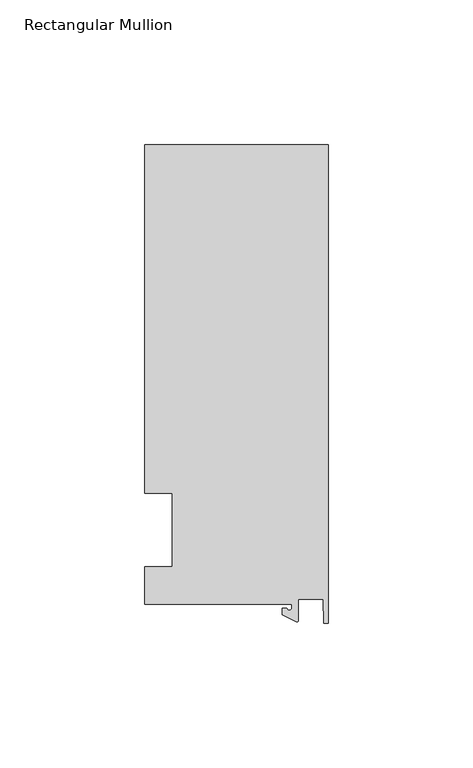
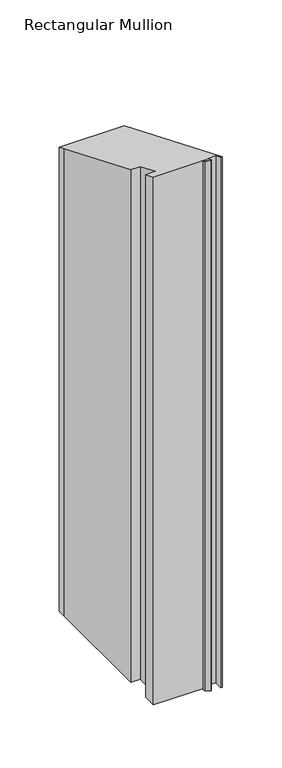
"""IFC4 building model written with IfcOpenShell, lengths in millimetres: member geometry, Rectangular Mullion."""

import ifcopenshell
import ifcopenshell.guid

model = None  # the IFC model being written
_history = None  # IfcOwnerHistory: only IFC2X3 demands one
_inside = {}  # id of a spatial element -> (the spatial element, [elements in it])
_under = {}  # id of a project, library or spatial element -> (it, [spatial elements below it])
_declared = {}  # id of a project -> (the project, [libraries it declares])
_typed = {}  # id of a type object -> (the type object, [elements of that type])
_made_of = {}  # id of a material, layer set ... -> (it, [elements and type objects made of it])


def new_model(schema):
    """Start an empty IFC model of exactly this schema.

    Asked for "IFC4X3", IfcOpenShell would pick the latest addendum, in which some entities
    have other attributes; the version numbers below select the first issue.
    IFC2X3 requires an IfcOwnerHistory on every rooted entity: one is made here for all.
    """
    global model, _history
    if schema == "IFC4X3":
        model = ifcopenshell.file(schema_version=(4, 3, 0, 0))
    else:
        model = ifcopenshell.file(schema=schema)
    _inside.clear()
    _under.clear()
    _declared.clear()
    _typed.clear()
    _made_of.clear()
    _history = None
    if model.schema == "IFC2X3":
        org = make("IfcOrganization", Name="unknown")
        user = make(
            "IfcPersonAndOrganization",
            ThePerson=make("IfcPerson", FamilyName="unknown"),
            TheOrganization=org,
        )
        app = make(
            "IfcApplication",
            ApplicationDeveloper=org,
            Version="unknown",
            ApplicationFullName="unknown",
            ApplicationIdentifier="unknown",
        )
        _history = make(
            "IfcOwnerHistory",
            OwningUser=user,
            OwningApplication=app,
            ChangeAction="ADDED",
            CreationDate=0,
        )
    return model


def make(cls, **values):
    """One entity of the class cls with the attributes given. An attribute that is None is left unset."""
    return model.create_entity(
        cls, **{name: value for name, value in values.items() if value is not None}
    )


def rooted(cls, **values):
    """An entity with a GlobalId (a new one), such as an element, a storey or a relation."""
    return make(cls, GlobalId=ifcopenshell.guid.new(), OwnerHistory=_history, **values)


def si_unit(unit_type, name, prefix=None):
    """IfcSIUnit, for example si_unit("LENGTHUNIT", "METRE", prefix="MILLI")."""
    return make("IfcSIUnit", UnitType=unit_type, Prefix=prefix, Name=name)


def assignment(units):
    """IfcUnitAssignment: the units of a project."""
    return None if units is None else make("IfcUnitAssignment", Units=units)


def point(xyz):
    """IfcCartesianPoint."""
    return None if xyz is None else make("IfcCartesianPoint", Coordinates=xyz)


def direction(xyz):
    """IfcDirection."""
    return None if xyz is None else make("IfcDirection", DirectionRatios=xyz)


def frame(location, z_axis=None, x_axis=None):
    """IfcAxis2Placement3D, a coordinate frame: its origin and axes. An axis left out is left unset."""
    return make(
        "IfcAxis2Placement3D",
        Location=point(location),
        Axis=direction(z_axis),
        RefDirection=direction(x_axis),
    )


def origin():
    """The frame at (0, 0, 0) with its axes left unset."""
    return frame((0.0, 0.0, 0.0))


def place(relative_to, where):
    """IfcLocalPlacement: puts the frame where relative to a parent placement (None: the world)."""
    return make(
        "IfcLocalPlacement", PlacementRelTo=relative_to, RelativePlacement=where
    )


def context(
    kind, dimensions, precision=None, world=None, true_north=None, identifier=None
):
    """IfcGeometricRepresentationContext, for example the 3D "Model" context."""
    return make(
        "IfcGeometricRepresentationContext",
        ContextIdentifier=identifier,
        ContextType=kind,
        CoordinateSpaceDimension=dimensions,
        Precision=precision,
        WorldCoordinateSystem=world,
        TrueNorth=true_north,
    )


def project(units=None, contexts=None):
    """IfcProject with its units and contexts."""
    return rooted(
        "IfcProject",
        Name="project",
        RepresentationContexts=contexts,
        UnitsInContext=assignment(units),
    )


def spatial(cls, under=None, at=None, **own):
    """A site, building, storey or space (cls), placed at a placement, below another one or the project."""
    s = rooted(cls, ObjectPlacement=at, **own)
    if under is not None:
        _under.setdefault(under.id(), (under, []))[1].append(s)
    return s


def polyline(points):
    """IfcPolyline through the points."""
    return make("IfcPolyline", Points=[point(p) for p in points])


def circle_curve(where, radius):
    """IfcCircle in the frame where."""
    return make("IfcCircle", Position=where, Radius=radius)


def ellipse_curve(where, semi_axis1, semi_axis2):
    """IfcEllipse in the frame where."""
    return make(
        "IfcEllipse", Position=where, SemiAxis1=semi_axis1, SemiAxis2=semi_axis2
    )


def shape(context_of_items, identifier, shape_type, items):
    """IfcShapeRepresentation: the items that make up one representation, for example the "Body"."""
    return make(
        "IfcShapeRepresentation",
        ContextOfItems=context_of_items,
        RepresentationIdentifier=identifier,
        RepresentationType=shape_type,
        Items=items,
    )


def source(mapping_origin, context_of_items, identifier, shape_type, items):
    """IfcRepresentationMap: a shape defined once, which mapped items show again and again."""
    return make(
        "IfcRepresentationMap",
        MappingOrigin=mapping_origin,
        MappedRepresentation=shape(context_of_items, identifier, shape_type, items),
    )


def transform(
    local_origin,
    x_axis=None,
    y_axis=None,
    z_axis=None,
    scale=None,
    scale2=None,
    scale3=None,
    uniform=True,
):
    """IfcCartesianTransformationOperator3D, or its non-uniform kind. x_axis, y_axis, z_axis: its Axis1, 2, 3."""
    if uniform:
        return make(
            "IfcCartesianTransformationOperator3D",
            Axis1=direction(x_axis),
            Axis2=direction(y_axis),
            LocalOrigin=point(local_origin),
            Scale=scale,
            Axis3=direction(z_axis),
        )
    return make(
        "IfcCartesianTransformationOperator3DnonUniform",
        Axis1=direction(x_axis),
        Axis2=direction(y_axis),
        LocalOrigin=point(local_origin),
        Scale=scale,
        Axis3=direction(z_axis),
        Scale2=scale2,
        Scale3=scale3,
    )


def mapped(mapping_source, mapping_target):
    """IfcMappedItem: shows the shape of a source again, moved by a transform."""
    return make(
        "IfcMappedItem", MappingSource=mapping_source, MappingTarget=mapping_target
    )


def made_of(thing, what):
    """Note that an element or type object is made of a material, layer set ...; save() writes the relation."""
    if what is not None:
        _made_of.setdefault(what.id(), (what, []))[1].append(thing)
    return thing


def element(
    cls,
    number,
    at=None,
    inside=None,
    cuts=None,
    type_object=None,
    material=None,
    context=None,
    identifier="Body",
    shape_type=None,
    held_by="IfcProductDefinitionShape",
    body=None,
    shapes=None,
    **own,
):
    """One element of the class cls, such as IfcWall. Its Tag is "e" and its number.

    at: its placement. inside: the storey or other place that contains it. cuts: it is an
    opening in that element (IfcRelVoidsElement). A single representation is given by context,
    identifier, shape_type and body (its items); several are given by shapes. held_by: the class
    of the entity that holds the representations. save() writes the other relations.
    """
    e = rooted(cls, Tag="e%d" % number, ObjectPlacement=at, **own)
    if body is not None:
        shapes = [shape(context, identifier, shape_type, body)]
    if shapes is not None:
        e.Representation = make(held_by, Representations=shapes)
    if inside is not None:
        _inside.setdefault(inside.id(), (inside, []))[1].append(e)
    if cuts is not None:
        rooted(
            "IfcRelVoidsElement", RelatingBuildingElement=cuts, RelatedOpeningElement=e
        )
    if type_object is not None:
        _typed.setdefault(type_object.id(), (type_object, []))[1].append(e)
    return made_of(e, material)


def aggregate(whole, parts):
    """IfcRelAggregates: a whole, such as a stair, and the parts it consists of."""
    return rooted("IfcRelAggregates", RelatingObject=whole, RelatedObjects=parts)


def save(model, path):
    """Write the relations noted so far, then the file.

    IfcRelAggregates (storeys below a building ...), IfcRelContainedInSpatialStructure (elements
    in a storey), IfcRelDefinesByType, IfcRelAssociatesMaterial and IfcRelDeclares: one each for
    every whole, place, type object, material and project.
    """
    for whole, parts in _under.values():
        aggregate(whole, parts)
    for where, things in _inside.values():
        rooted(
            "IfcRelContainedInSpatialStructure",
            RelatedElements=things,
            RelatingStructure=where,
        )
    for kind, things in _typed.values():
        rooted("IfcRelDefinesByType", RelatedObjects=things, RelatingType=kind)
    for what, things in _made_of.values():
        rooted("IfcRelAssociatesMaterial", RelatedObjects=things, RelatingMaterial=what)
    for by, libraries in _declared.values():
        rooted("IfcRelDeclares", RelatingContext=by, RelatedDefinitions=libraries)
    model.write(path)


def plane_surface(at):
    """IfcPlane: the flat surface through the origin of the frame at, square to its z axis."""
    return make("IfcPlane", Position=at)


def cylinder_surface(at, radius):
    """IfcCylindricalSurface: all points at the distance radius from the z axis of the frame at."""
    return make("IfcCylindricalSurface", Position=at, Radius=radius)


def revolved_surface(curve, axis_point, axis_direction):
    """IfcSurfaceOfRevolution: the curve turned about the line through axis_point along axis_direction."""
    return make(
        "IfcSurfaceOfRevolution",
        SweptCurve=make("IfcArbitraryOpenProfileDef", ProfileType="CURVE", Curve=curve),
        AxisPosition=make("IfcAxis1Placement", Location=point(axis_point), Axis=direction(axis_direction)),
    )


def advanced_brep(points, edges, surfaces, faces):
    """IfcAdvancedBrep: a solid bounded by faces that lie on surfaces and meet in shared edges.

    An edge is (start, end): straight between two places in points (the first is 0);
    or (start, end, curve); or (start, end, curve, False) where it runs against its curve.
    A face is (place in surfaces, loops), or (place, loops, False) where it looks against
    its surface's normal. A loop lists edges by number (the first is 1), with a minus sign
    where the edge is run from its end to its start. The first loop is the outer one.
    """
    corners = [point(p) for p in points]
    vertices = [make("IfcVertexPoint", VertexGeometry=c) for c in corners]
    made = []
    for start, end, *more in edges:
        made.append(
            make(
                "IfcEdgeCurve",
                EdgeStart=vertices[start],
                EdgeEnd=vertices[end],
                EdgeGeometry=more[0] if more else make("IfcPolyline", Points=[corners[start], corners[end]]),
                SameSense=more[1] if len(more) > 1 else True,
            )
        )
    hull = []
    for where, loops, *sense in faces:
        bounds = []
        for j, loop in enumerate(loops):
            ring = [make("IfcOrientedEdge", EdgeElement=made[abs(k) - 1], Orientation=k > 0) for k in loop]
            bounds.append(
                make(
                    "IfcFaceOuterBound" if j == 0 else "IfcFaceBound",
                    Bound=make("IfcEdgeLoop", EdgeList=ring),
                    Orientation=True,
                )
            )
        hull.append(make("IfcAdvancedFace", Bounds=bounds, FaceSurface=surfaces[where], SameSense=sense[0] if sense else True))
    return make("IfcAdvancedBrep", Outer=make("IfcClosedShell", CfsFaces=hull))


def rectangular_mullion_3918751d(model_context):
    return source(origin(), model_context, "Body", "AdvancedBrep", [
        advanced_brep(
        [(-12.6173814, -25.796875, -533.4), (-63.5, -25.796875, -533.4), (-63.5, -12.7, -533.4), (-53.975, -12.7, -533.4), (-53.975, 12.7, -533.4), (-63.5, 12.7, -533.4), (-63.5, 125.8114907, -533.4), (-63.5, 133.34365, -533.4), (0.0, 133.34365, -533.4), (0.0, -32.288874, -533.4), (-1.5658966, -32.288874, -533.4), (-1.7144124, -23.9227662, -533.4), (-10.2297814, -23.9227662, -533.4), (-10.2297814, -31.2414327, -533.4), (-10.9524715, -31.7018371, -533.4), (-15.7923814, -29.44495, -533.4), (-15.7923814, -27.0827507, -533.4), (-14.2048814, -27.0827507, -533.4), (-12.6173814, -27.0827507, -533.4), (-12.6173814, -27.0827507, 11.2180426), (-12.6173814, -25.796875, 10.6854155), (-14.2048814, -27.0827507, 11.2180426), (-15.7923814, -27.0827507, 11.2180426), (-15.7923814, -29.44495, 12.1964976), (-10.9524715, -31.7018371, 13.1313309), (-10.2297814, -31.2414327, 12.9406251), (-10.2297814, -23.9227662, 9.9091342), (-1.7144124, -23.9227662, 9.9091342), (-1.5658966, -32.288874, 13.3744895), (0.0, -32.288874, 13.3744895), (0.0, 133.34365, -55.2327483), (-63.5, 133.34365, -55.2327483), (-63.5, 125.8114907, -52.1128257), (-63.5, 12.7, -5.2605122), (-53.975, 12.7, -5.2605122), (-53.975, -12.7, 5.2605122), (-63.5, -12.7, 5.2605122), (-63.5, -25.796875, 10.6854155)],
        [
            (0, 1),
            (1, 2),
            (2, 3),
            (3, 4),
            (4, 5),
            (5, 6),
            (6, 7),
            (7, 8),
            (8, 9),
            (9, 10),
            (10, 11),
            (11, 12),
            (12, 13),
            (13, 14, circle_curve(frame((-10.7377814, -31.2414327, -533.4), z_axis=(0.0, 0.0, -1.0), x_axis=(-1.0, 0.0, 0.0)), 0.508)),
            (14, 15),
            (15, 16),
            (16, 17),
            (17, 18, circle_curve(frame((-13.4111314, -27.0827507, -533.4), z_axis=(0.0, 0.0, 1.0), x_axis=(-1.0, 0.0, 0.0)), 0.79375)),
            (18, 0),
            (19, 20),
            (20, 0),
            (18, 19),
            (21, 19, ellipse_curve(frame((-13.4111314, -27.0827507, 11.2180426), z_axis=(0.0, 0.38268343236508895, 0.9238795325112871), x_axis=(0.0, 0.923879532511287, -0.3826834323650889)), 0.8591488, 0.79375)),
            (17, 21),
            (22, 21),
            (16, 22),
            (23, 22),
            (15, 23),
            (24, 23),
            (14, 24),
            (25, 24, ellipse_curve(frame((-10.7377814, -31.2414327, 12.9406251), z_axis=(0.0, -0.38268343236508895, -0.9238795325112871), x_axis=(0.0, -0.923879532511287, 0.3826834323650889)), 0.5498552, 0.508)),
            (13, 25),
            (26, 25),
            (12, 26),
            (27, 26),
            (11, 27),
            (28, 27),
            (10, 28),
            (29, 28),
            (9, 29),
            (30, 29),
            (8, 30),
            (31, 30),
            (7, 31),
            (32, 31),
            (6, 32),
            (33, 32),
            (5, 33),
            (34, 33),
            (4, 34),
            (35, 34),
            (3, 35),
            (36, 35),
            (2, 36),
            (37, 36),
            (1, 37),
            (20, 37),
        ],
        [
            plane_surface(frame((0.0, -147.6914994, -533.4), z_axis=(0.0, 0.0, -1.0), x_axis=(-1.0, 0.0, 0.0))),
            plane_surface(frame((-12.6173814, -25.796875, 0.0), z_axis=(-1.0, 0.0, 0.0), x_axis=(0.0, 0.0, -1.0))),
            revolved_surface(polyline([(-14.2048814, -27.0827507, -533.4), (-14.2048814, -27.0827507, 11.546824611696348)]), (-13.4111314, -27.0827507, 0.0), (0.0, 0.0, -1.0)),
            plane_surface(frame((-14.2048814, -27.0827507, 0.0), z_axis=(0.0, 1.0, 0.0), x_axis=(0.0, 0.0, -1.0))),
            plane_surface(frame((-15.7923814, -27.0827507, 0.0), z_axis=(-1.0, 0.0, 0.0), x_axis=(0.0, 0.0, -1.0))),
            plane_surface(frame((-15.7923814, -29.44495, 0.0), z_axis=(-0.4226182617406985, -0.9063077870366505, 0.0), x_axis=(0.0, 0.0, -1.0))),
            cylinder_surface(frame((-10.7377814, -31.2414327, 0.0), z_axis=(0.0, 0.0, 1.0), x_axis=(-1.0, 0.0, 0.0)), 0.508),
            plane_surface(frame((-10.2297814, -31.2414327, 0.0), z_axis=(1.0, 0.0, 0.0), x_axis=(0.0, 0.0, -1.0))),
            plane_surface(frame((-10.2297814, -23.9227662, 0.0), z_axis=(0.0, -1.0, 0.0), x_axis=(0.0, 0.0, -1.0))),
            plane_surface(frame((-1.7144124, -23.9227662, 0.0), z_axis=(-0.9998424690407919, -0.017749284560600327, 0.0), x_axis=(0.0, 0.0, -1.0))),
            plane_surface(frame((-1.5658966, -32.288874, 0.0), z_axis=(0.0, -1.0, 0.0), x_axis=(0.0, 0.0, -1.0))),
            plane_surface(frame((0.0, -32.288874, 0.0), z_axis=(1.0, 0.0, 0.0), x_axis=(0.0, 0.0, -1.0))),
            plane_surface(frame((0.0, 133.34365, 0.0), z_axis=(0.0, 1.0, 0.0), x_axis=(0.0, 0.0, -1.0))),
            plane_surface(frame((-63.5, 133.34365, 0.0), z_axis=(-1.0, 0.0, 0.0), x_axis=(0.0, 0.0, -1.0))),
            plane_surface(frame((-63.5, 125.8114907, 0.0), z_axis=(-1.0, 0.0, 0.0), x_axis=(0.0, 0.0, -1.0))),
            plane_surface(frame((-63.5, 12.7, 0.0), z_axis=(0.0, -1.0, 0.0), x_axis=(0.0, 0.0, -1.0))),
            plane_surface(frame((-53.975, 12.7, 0.0), z_axis=(-1.0, 0.0, 0.0), x_axis=(0.0, 0.0, -1.0))),
            plane_surface(frame((-53.975, -12.7, 0.0), z_axis=(0.0, 1.0, 0.0), x_axis=(0.0, 0.0, -1.0))),
            plane_surface(frame((-63.5, -12.7, 0.0), z_axis=(-1.0, 0.0, 0.0), x_axis=(0.0, 0.0, -1.0))),
            plane_surface(frame((-63.5, -25.796875, 0.0), z_axis=(0.0, -1.0, 0.0), x_axis=(0.0, 0.0, -1.0))),
            plane_surface(frame((-304.8, 0.0, 0.0), z_axis=(0.0, 0.38268343236508895, 0.9238795325112871), x_axis=(0.0, 0.9238795325112871, -0.38268343236508895))),
        ],
        [
            (0, [[1, 2, 3, 4, 5, 6, 7, 8, 9, 10, 11, 12, 13, 14, 15, 16, 17, 18, 19]]),
            (1, [[20, 21, -19, 22]]),
            (2, [[23, -22, -18, 24]]),
            (3, [[25, -24, -17, 26]]),
            (4, [[27, -26, -16, 28]]),
            (5, [[29, -28, -15, 30]]),
            (6, [[31, -30, -14, 32]]),
            (7, [[33, -32, -13, 34]]),
            (8, [[35, -34, -12, 36]]),
            (9, [[37, -36, -11, 38]]),
            (10, [[39, -38, -10, 40]]),
            (11, [[41, -40, -9, 42]]),
            (12, [[43, -42, -8, 44]]),
            (13, [[45, -44, -7, 46]]),
            (14, [[47, -46, -6, 48]]),
            (15, [[49, -48, -5, 50]]),
            (16, [[51, -50, -4, 52]]),
            (17, [[53, -52, -3, 54]]),
            (18, [[55, -54, -2, 56]]),
            (19, [[57, -56, -1, -21]]),
            (20, [[-20, -23, -25, -27, -29, -31, -33, -35, -37, -39, -41, -43, -45, -47, -49, -51, -53, -55, -57]]),
        ],
    ),
    ])


if __name__ == "__main__":
    model = new_model("IFC4")
    model_context = context("Model", 3, world=origin())
    ifc_project = project(units=[si_unit("LENGTHUNIT", "METRE", prefix="MILLI")], contexts=[model_context])
    site = spatial("IfcSite", under=ifc_project)
    building = spatial("IfcBuilding", under=site)
    placement = place(None, origin())
    rectangular_mullion_shape = rectangular_mullion_3918751d(model_context)
    element("IfcMember", 1, ObjectType="Rectangular Mullion", at=placement, inside=building, context=model_context, shape_type="MappedRepresentation", body=[
        mapped(rectangular_mullion_shape, transform((0.0, 0.0, 0.0), x_axis=(1.0, 0.0, 0.0), y_axis=(0.0, 1.0, 0.0), z_axis=(0.0, 0.0, 1.0))),
    ])
    save(model, "model.ifc")
